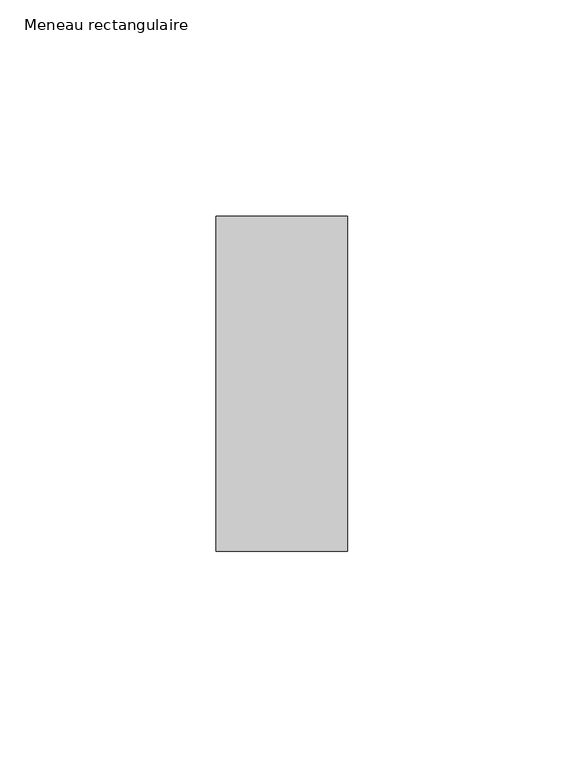
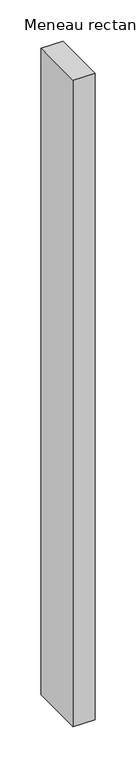
"""IFC4 building model written with IfcOpenShell, lengths in millimetres: member geometry, Meneau rectangulaire."""

import ifcopenshell
import ifcopenshell.guid

model = None  # the IFC model being written
_history = None  # IfcOwnerHistory: only IFC2X3 demands one
_inside = {}  # id of a spatial element -> (the spatial element, [elements in it])
_under = {}  # id of a project, library or spatial element -> (it, [spatial elements below it])
_declared = {}  # id of a project -> (the project, [libraries it declares])
_typed = {}  # id of a type object -> (the type object, [elements of that type])
_made_of = {}  # id of a material, layer set ... -> (it, [elements and type objects made of it])


def new_model(schema):
    """Start an empty IFC model of exactly this schema.

    Asked for "IFC4X3", IfcOpenShell would pick the latest addendum, in which some entities
    have other attributes; the version numbers below select the first issue.
    IFC2X3 requires an IfcOwnerHistory on every rooted entity: one is made here for all.
    """
    global model, _history
    if schema == "IFC4X3":
        model = ifcopenshell.file(schema_version=(4, 3, 0, 0))
    else:
        model = ifcopenshell.file(schema=schema)
    _inside.clear()
    _under.clear()
    _declared.clear()
    _typed.clear()
    _made_of.clear()
    _history = None
    if model.schema == "IFC2X3":
        org = make("IfcOrganization", Name="unknown")
        user = make(
            "IfcPersonAndOrganization",
            ThePerson=make("IfcPerson", FamilyName="unknown"),
            TheOrganization=org,
        )
        app = make(
            "IfcApplication",
            ApplicationDeveloper=org,
            Version="unknown",
            ApplicationFullName="unknown",
            ApplicationIdentifier="unknown",
        )
        _history = make(
            "IfcOwnerHistory",
            OwningUser=user,
            OwningApplication=app,
            ChangeAction="ADDED",
            CreationDate=0,
        )
    return model


def make(cls, **values):
    """One entity of the class cls with the attributes given. An attribute that is None is left unset."""
    return model.create_entity(
        cls, **{name: value for name, value in values.items() if value is not None}
    )


def rooted(cls, **values):
    """An entity with a GlobalId (a new one), such as an element, a storey or a relation."""
    return make(cls, GlobalId=ifcopenshell.guid.new(), OwnerHistory=_history, **values)


def si_unit(unit_type, name, prefix=None):
    """IfcSIUnit, for example si_unit("LENGTHUNIT", "METRE", prefix="MILLI")."""
    return make("IfcSIUnit", UnitType=unit_type, Prefix=prefix, Name=name)


def assignment(units):
    """IfcUnitAssignment: the units of a project."""
    return None if units is None else make("IfcUnitAssignment", Units=units)


def point(xyz):
    """IfcCartesianPoint."""
    return None if xyz is None else make("IfcCartesianPoint", Coordinates=xyz)


def direction(xyz):
    """IfcDirection."""
    return None if xyz is None else make("IfcDirection", DirectionRatios=xyz)


def frame(location, z_axis=None, x_axis=None):
    """IfcAxis2Placement3D, a coordinate frame: its origin and axes. An axis left out is left unset."""
    return make(
        "IfcAxis2Placement3D",
        Location=point(location),
        Axis=direction(z_axis),
        RefDirection=direction(x_axis),
    )


def origin():
    """The frame at (0, 0, 0) with its axes left unset."""
    return frame((0.0, 0.0, 0.0))


def place(relative_to, where):
    """IfcLocalPlacement: puts the frame where relative to a parent placement (None: the world)."""
    return make(
        "IfcLocalPlacement", PlacementRelTo=relative_to, RelativePlacement=where
    )


def context(
    kind, dimensions, precision=None, world=None, true_north=None, identifier=None
):
    """IfcGeometricRepresentationContext, for example the 3D "Model" context."""
    return make(
        "IfcGeometricRepresentationContext",
        ContextIdentifier=identifier,
        ContextType=kind,
        CoordinateSpaceDimension=dimensions,
        Precision=precision,
        WorldCoordinateSystem=world,
        TrueNorth=true_north,
    )


def project(units=None, contexts=None):
    """IfcProject with its units and contexts."""
    return rooted(
        "IfcProject",
        Name="project",
        RepresentationContexts=contexts,
        UnitsInContext=assignment(units),
    )


def spatial(cls, under=None, at=None, **own):
    """A site, building, storey or space (cls), placed at a placement, below another one or the project."""
    s = rooted(cls, ObjectPlacement=at, **own)
    if under is not None:
        _under.setdefault(under.id(), (under, []))[1].append(s)
    return s


def polyline(points):
    """IfcPolyline through the points."""
    return make("IfcPolyline", Points=[point(p) for p in points])


def outline(outer, holes=None, kind="AREA"):
    """IfcArbitraryClosedProfileDef: a profile drawn as a closed curve; with holes, ...WithVoids."""
    if holes is None:
        return make("IfcArbitraryClosedProfileDef", ProfileType=kind, OuterCurve=outer)
    return make(
        "IfcArbitraryProfileDefWithVoids",
        ProfileType=kind,
        OuterCurve=outer,
        InnerCurves=holes,
    )


def extrude(swept, where, along, depth):
    """IfcExtrudedAreaSolid: the profile swept, set in the frame where, extruded along a direction by depth."""
    return make(
        "IfcExtrudedAreaSolid",
        SweptArea=swept,
        Position=where,
        ExtrudedDirection=direction(along),
        Depth=depth,
    )


def shape(context_of_items, identifier, shape_type, items):
    """IfcShapeRepresentation: the items that make up one representation, for example the "Body"."""
    return make(
        "IfcShapeRepresentation",
        ContextOfItems=context_of_items,
        RepresentationIdentifier=identifier,
        RepresentationType=shape_type,
        Items=items,
    )


def source(mapping_origin, context_of_items, identifier, shape_type, items):
    """IfcRepresentationMap: a shape defined once, which mapped items show again and again."""
    return make(
        "IfcRepresentationMap",
        MappingOrigin=mapping_origin,
        MappedRepresentation=shape(context_of_items, identifier, shape_type, items),
    )


def transform(
    local_origin,
    x_axis=None,
    y_axis=None,
    z_axis=None,
    scale=None,
    scale2=None,
    scale3=None,
    uniform=True,
):
    """IfcCartesianTransformationOperator3D, or its non-uniform kind. x_axis, y_axis, z_axis: its Axis1, 2, 3."""
    if uniform:
        return make(
            "IfcCartesianTransformationOperator3D",
            Axis1=direction(x_axis),
            Axis2=direction(y_axis),
            LocalOrigin=point(local_origin),
            Scale=scale,
            Axis3=direction(z_axis),
        )
    return make(
        "IfcCartesianTransformationOperator3DnonUniform",
        Axis1=direction(x_axis),
        Axis2=direction(y_axis),
        LocalOrigin=point(local_origin),
        Scale=scale,
        Axis3=direction(z_axis),
        Scale2=scale2,
        Scale3=scale3,
    )


def mapped(mapping_source, mapping_target):
    """IfcMappedItem: shows the shape of a source again, moved by a transform."""
    return make(
        "IfcMappedItem", MappingSource=mapping_source, MappingTarget=mapping_target
    )


def made_of(thing, what):
    """Note that an element or type object is made of a material, layer set ...; save() writes the relation."""
    if what is not None:
        _made_of.setdefault(what.id(), (what, []))[1].append(thing)
    return thing


def element(
    cls,
    number,
    at=None,
    inside=None,
    cuts=None,
    type_object=None,
    material=None,
    context=None,
    identifier="Body",
    shape_type=None,
    held_by="IfcProductDefinitionShape",
    body=None,
    shapes=None,
    **own,
):
    """One element of the class cls, such as IfcWall. Its Tag is "e" and its number.

    at: its placement. inside: the storey or other place that contains it. cuts: it is an
    opening in that element (IfcRelVoidsElement). A single representation is given by context,
    identifier, shape_type and body (its items); several are given by shapes. held_by: the class
    of the entity that holds the representations. save() writes the other relations.
    """
    e = rooted(cls, Tag="e%d" % number, ObjectPlacement=at, **own)
    if body is not None:
        shapes = [shape(context, identifier, shape_type, body)]
    if shapes is not None:
        e.Representation = make(held_by, Representations=shapes)
    if inside is not None:
        _inside.setdefault(inside.id(), (inside, []))[1].append(e)
    if cuts is not None:
        rooted(
            "IfcRelVoidsElement", RelatingBuildingElement=cuts, RelatedOpeningElement=e
        )
    if type_object is not None:
        _typed.setdefault(type_object.id(), (type_object, []))[1].append(e)
    return made_of(e, material)


def aggregate(whole, parts):
    """IfcRelAggregates: a whole, such as a stair, and the parts it consists of."""
    return rooted("IfcRelAggregates", RelatingObject=whole, RelatedObjects=parts)


def save(model, path):
    """Write the relations noted so far, then the file.

    IfcRelAggregates (storeys below a building ...), IfcRelContainedInSpatialStructure (elements
    in a storey), IfcRelDefinesByType, IfcRelAssociatesMaterial and IfcRelDeclares: one each for
    every whole, place, type object, material and project.
    """
    for whole, parts in _under.values():
        aggregate(whole, parts)
    for where, things in _inside.values():
        rooted(
            "IfcRelContainedInSpatialStructure",
            RelatedElements=things,
            RelatingStructure=where,
        )
    for kind, things in _typed.values():
        rooted("IfcRelDefinesByType", RelatedObjects=things, RelatingType=kind)
    for what, things in _made_of.values():
        rooted("IfcRelAssociatesMaterial", RelatedObjects=things, RelatingMaterial=what)
    for by, libraries in _declared.values():
        rooted("IfcRelDeclares", RelatingContext=by, RelatedDefinitions=libraries)
    model.write(path)


def meneau_rectangulaire_bdb28f40(model_context):
    return source(origin(), model_context, "Body", "SweptSolid", [
        extrude(outline(polyline([(-15.25, 38.75), (15.25, 38.75), (15.25, -38.75), (-15.25, -38.75), (-15.25, 38.75)])), frame((0.0, 0.0, -956.0), z_axis=(0.0, 0.0, 1.0), x_axis=(1.0, 0.0, 0.0)), (0.0, 0.0, 1.0), 956.0),
    ])


if __name__ == "__main__":
    model = new_model("IFC4")
    model_context = context("Model", 3, world=origin())
    ifc_project = project(units=[si_unit("LENGTHUNIT", "METRE", prefix="MILLI")], contexts=[model_context])
    site = spatial("IfcSite", under=ifc_project)
    building = spatial("IfcBuilding", under=site)
    placement = place(None, origin())
    meneau_rectangulaire_shape = meneau_rectangulaire_bdb28f40(model_context)
    element("IfcMember", 1, ObjectType="Meneau rectangulaire", at=placement, inside=building, context=model_context, shape_type="MappedRepresentation", body=[
        mapped(meneau_rectangulaire_shape, transform((0.0, 0.0, 0.0), x_axis=(1.0, 0.0, 0.0), y_axis=(0.0, 1.0, 0.0), z_axis=(0.0, 0.0, 1.0))),
    ])
    save(model, "model.ifc")
